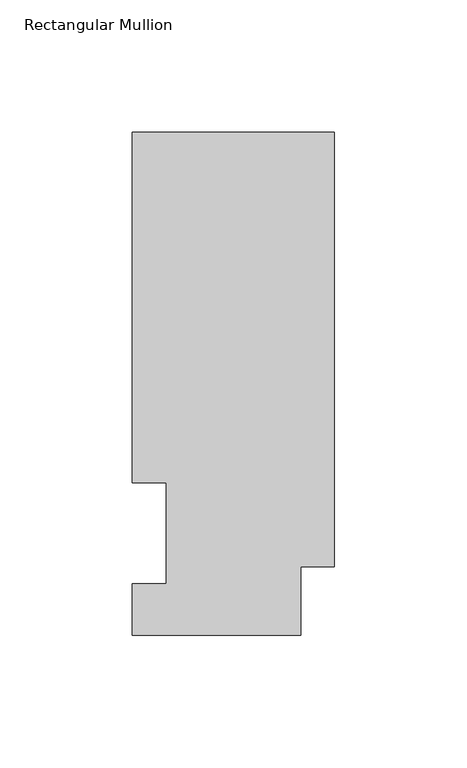
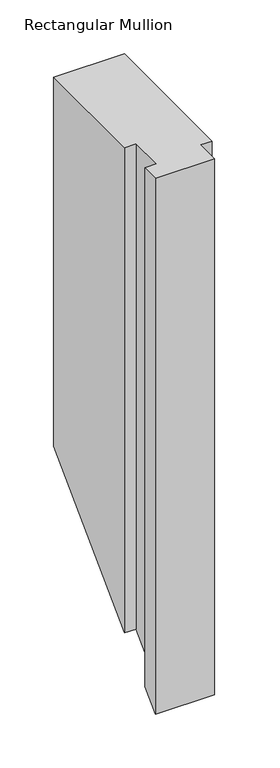
"""IFC4 building model written with IfcOpenShell, lengths in millimetres: member geometry, Rectangular Mullion."""

from ifc_helpers import new_model, si_unit, origin, place, context, project, spatial, faceted_brep, source, transform, mapped, element, save


def rectangular_mullion_dffaa633(model_context):
    return source(origin(), model_context, "Body", "Brep", [
        faceted_brep([(-76.2, 189.8022937, 0.0), (-76.2, 57.6460937, 0.0), (-63.5, 57.6460937, 0.0), (-63.5, 19.5460938, 0.0), (-76.2, 19.5460938, 0.0), (-76.2, 0.0134938, 0.0), (-12.7, 0.0134938, 0.0), (-12.7, 25.8955957, 0.0), (0.0, 25.8955957, 0.0), (0.0, 189.8022938, 0.0), (-76.2, 189.8022937, -419.7977063), (-76.2, 57.6460937, -551.9539063), (-63.5, 57.6460937, -551.9539063), (-63.5, 19.5460938, -590.0539063), (-76.2, 19.5460938, -590.0539063), (-76.2, 0.0134938, -609.5865063), (-12.7, 0.0134938, -609.5865063), (-12.7, 25.8955957, -583.7044043), (0.0, 25.8955957, -583.7044043), (0.0, 189.8022938, -419.7977063)], [[[0, 1, 2, 3, 4, 5, 6, 7, 8, 9]], [[1, 0, 10, 11]], [[2, 1, 11, 12]], [[3, 2, 12, 13]], [[4, 3, 13, 14]], [[5, 4, 14, 15]], [[6, 5, 15, 16]], [[7, 6, 16, 17]], [[8, 7, 17, 18]], [[9, 8, 18, 19]], [[0, 9, 19, 10]], [[10, 19, 18, 17, 16, 15, 14, 13, 12, 11]]]),
    ])


if __name__ == "__main__":
    model = new_model("IFC4")
    model_context = context("Model", 3, world=origin())
    ifc_project = project(units=[si_unit("LENGTHUNIT", "METRE", prefix="MILLI")], contexts=[model_context])
    site = spatial("IfcSite", under=ifc_project)
    building = spatial("IfcBuilding", under=site)
    placement = place(None, origin())
    rectangular_mullion_shape = rectangular_mullion_dffaa633(model_context)
    element("IfcMember", 1, ObjectType="Rectangular Mullion", at=placement, inside=building, context=model_context, shape_type="MappedRepresentation", body=[
        mapped(rectangular_mullion_shape, transform((0.0, 0.0, 0.0), x_axis=(1.0, 0.0, 0.0), y_axis=(0.0, 1.0, 0.0), z_axis=(0.0, 0.0, 1.0))),
    ])
    save(model, "model.ifc")
